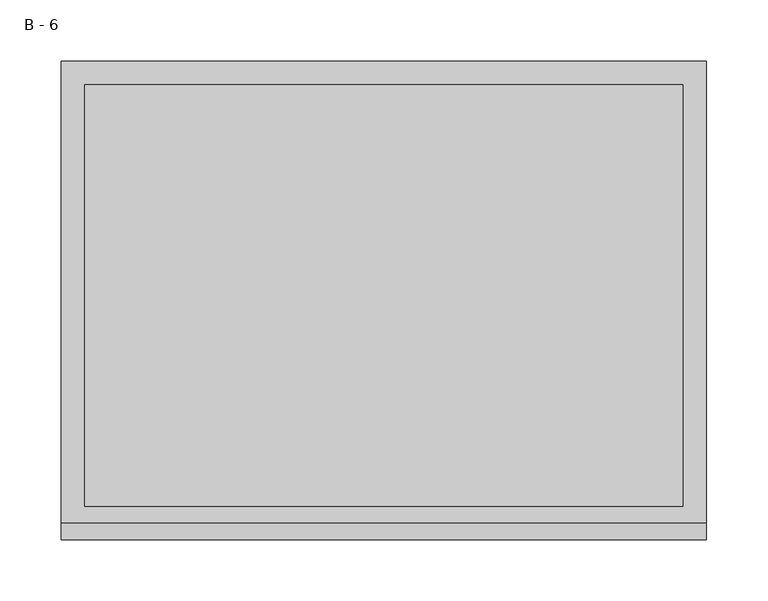
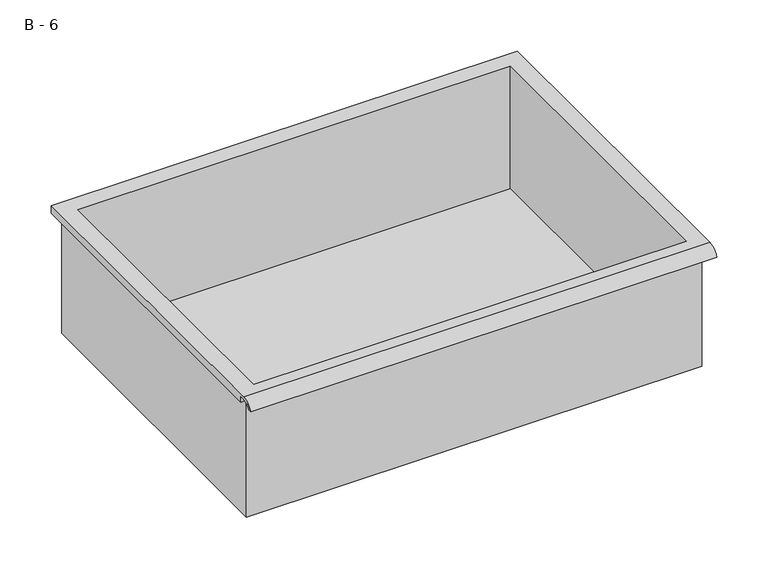
"""IFC4 building model written with IfcOpenShell, lengths in millimetres: furniture geometry, B - 6."""

from ifc_helpers import new_model, si_unit, frame, origin, place, context, project, spatial, polyline, circle_curve, source, transform, mapped, element, save
from ifc_brep_helpers import plane_surface, cylinder_surface, revolved_surface, advanced_brep


def b_6_f5591260(model_context):
    return source(origin(), model_context, "Body", "AdvancedBrep", [
        advanced_brep(
        [(-257.1076517, -176.2125, 531.81504), (257.2423483, -176.2125, 531.81504), (257.2423483, -176.2125, 671.51504), (263.5923483, -176.2125, 671.51504), (263.5923483, -176.2125, 677.8221741), (-263.4576517, -176.2125, 677.8221741), (-263.4576517, -176.2125, 671.51504), (-257.1076517, -176.2125, 671.51504), (257.2423483, 185.7375, 531.81504), (-257.1076517, 185.7375, 531.81504), (-257.1076517, 185.7375, 671.51504), (257.2423483, 185.7375, 671.51504), (263.5923483, -181.6070544, 681.04004), (263.5923483, 195.2625, 681.04004), (-263.4576517, 195.2625, 681.04004), (-263.4576517, -181.6070544, 681.04004), (244.5423483, -168.275, 681.04004), (-244.4076517, -168.275, 681.04004), (-244.4076517, 176.2125, 681.04004), (244.5423483, 176.2125, 681.04004), (263.5923483, -195.2625, 671.51504), (263.5923483, -191.8280601, 671.51504), (263.5923483, -180.4714815, 677.8221741), (263.5923483, 195.2625, 671.51504), (-263.4576517, 195.2625, 671.51504), (-263.4576517, -180.4714815, 677.8221741), (-263.4576517, -191.8280601, 671.51504), (-263.4576517, -195.2625, 671.51504), (-244.4076517, -168.275, 534.8412119), (244.5423483, -168.275, 534.8412119), (244.5423483, 176.2125, 534.8412119), (-244.4076517, 176.2125, 534.8412119)],
        [
            (0, 1),
            (1, 2),
            (2, 3),
            (3, 4),
            (4, 5),
            (5, 6),
            (6, 7),
            (7, 0),
            (8, 9),
            (9, 10),
            (10, 11),
            (11, 8),
            (0, 9),
            (8, 1),
            (11, 2),
            (12, 13),
            (13, 14),
            (14, 15),
            (15, 12),
            (16, 17),
            (17, 18),
            (18, 19),
            (19, 16),
            (7, 10),
            (12, 20, circle_curve(frame((263.5923483, -181.6070544, 666.4890259), z_axis=(1.0, 0.0, 0.0), x_axis=(0.0, 1.0, 0.0)), 14.5510141)),
            (20, 21),
            (21, 22, circle_curve(frame((263.5923483, -181.6070544, 666.4890259), z_axis=(-1.0, 0.0, 0.0), x_axis=(0.0, 1.0, 0.0)), 11.3898979)),
            (22, 4),
            (3, 23),
            (23, 13),
            (14, 24),
            (24, 6),
            (5, 25),
            (25, 26, circle_curve(frame((-263.4576517, -181.6070544, 666.4890259), z_axis=(1.0, 0.0, 0.0), x_axis=(0.0, 1.0, 0.0)), 11.3898979)),
            (26, 27),
            (27, 15, circle_curve(frame((-263.4576517, -181.6070544, 666.4890259), z_axis=(-1.0, 0.0, 0.0), x_axis=(0.0, 1.0, 0.0)), 14.5510141)),
            (27, 20),
            (26, 21),
            (25, 22),
            (24, 23),
            (28, 29),
            (29, 30),
            (30, 31),
            (31, 28),
            (28, 17),
            (16, 29),
            (19, 30),
            (18, 31),
        ],
        [
            plane_surface(frame((257.2423483, -176.2125, 531.81504), z_axis=(0.0, -1.0, 0.0), x_axis=(1.0, 0.0, 0.0))),
            plane_surface(frame((257.2423483, 185.7375, 531.81504), z_axis=(0.0, 1.0, 0.0), x_axis=(-1.0, 0.0, 0.0))),
            plane_surface(frame((-257.1076517, -176.2125, 531.81504), z_axis=(0.0, 0.0, -1.0), x_axis=(0.0, 1.0, 0.0))),
            plane_surface(frame((257.2423483, -176.2125, 531.81504), z_axis=(1.0, 0.0, 0.0), x_axis=(0.0, 1.0, 0.0))),
            plane_surface(frame((257.2423483, -176.2125, 681.04004), z_axis=(0.0, 0.0, 1.0), x_axis=(0.0, 1.0, 0.0))),
            plane_surface(frame((-257.1076517, -176.2125, 681.04004), z_axis=(-1.0, 0.0, 0.0), x_axis=(0.0, 1.0, 0.0))),
            plane_surface(frame((263.5923483, 195.2625, 681.04004), z_axis=(1.0, 0.0, 0.0), x_axis=(0.0, -1.0, 0.0))),
            plane_surface(frame((-263.4576517, 195.2625, 681.04004), z_axis=(-1.0, 0.0, 0.0), x_axis=(0.0, 1.0, 0.0))),
            cylinder_surface(frame((-263.4576517, -181.6070544, 666.4890259), z_axis=(1.0, 0.0, 0.0), x_axis=(0.0, 1.0, 0.0)), 14.5510141),
            plane_surface(frame((263.5923483, -195.2625, 671.51504), z_axis=(0.0, -7.172997036885722e-12, -1.0), x_axis=(-1.0, 0.0, 0.0))),
            revolved_surface(polyline([(-263.4576517, -170.21715650000002, 666.4890259), (263.59234829999997, -170.21715650000002, 666.4890259)]), (-263.4576517, -181.6070544, 666.4890259), (-1.0, 0.0, 0.0)),
            plane_surface(frame((263.5923483, -180.4714815, 677.8221741), z_axis=(0.0, -1.7734282788987848e-11, -1.0), x_axis=(-1.0, 0.0, 0.0))),
            plane_surface(frame((263.5923483, -176.2125, 671.51504), z_axis=(0.0, 0.0, -1.0), x_axis=(-1.0, 0.0, 0.0))),
            plane_surface(frame((263.5923483, 195.2625, 671.51504), z_axis=(0.0, 1.0, 0.0), x_axis=(-1.0, 0.0, 0.0))),
            plane_surface(frame((244.5423483, -168.275, 534.8412119), z_axis=(0.0, 0.0, 1.0), x_axis=(-1.0, 0.0, 0.0))),
            plane_surface(frame((-244.4076517, -168.275, 681.04004), z_axis=(0.0, 1.0, 0.0), x_axis=(0.0, 0.0, -1.0))),
            plane_surface(frame((244.5423483, -168.275, 681.04004), z_axis=(-1.0, 0.0, 0.0), x_axis=(0.0, 0.0, -1.0))),
            plane_surface(frame((244.5423483, 176.2125, 681.04004), z_axis=(0.0, -1.0, 0.0), x_axis=(0.0, 0.0, -1.0))),
            plane_surface(frame((-244.4076517, 176.2125, 681.04004), z_axis=(1.0, 0.0, 0.0), x_axis=(0.0, 0.0, -1.0))),
        ],
        [
            (0, [[1, 2, 3, 4, 5, 6, 7, 8]]),
            (1, [[9, 10, 11, 12]]),
            (2, [[-1, 13, -9, 14]]),
            (3, [[-14, -12, 15, -2]]),
            (4, [[16, 17, 18, 19], [20, 21, 22, 23]]),
            (5, [[-13, -8, 24, -10]]),
            (6, [[-16, 25, 26, 27, 28, -4, 29, 30]]),
            (7, [[31, 32, -6, 33, 34, 35, 36, -18]]),
            (8, [[-25, -19, -36, 37]]),
            (9, [[-26, -37, -35, 38]]),
            (10, [[-27, -38, -34, 39]]),
            (11, [[-28, -39, -33, -5]]),
            (12, [[-29, -3, -15, -11, -24, -7, -32, 40]]),
            (13, [[-30, -40, -31, -17]]),
            (14, [[41, 42, 43, 44]]),
            (15, [[-41, 45, -20, 46]]),
            (16, [[-42, -46, -23, 47]]),
            (17, [[-43, -47, -22, 48]]),
            (18, [[-44, -48, -21, -45]]),
        ],
    ),
    ])


if __name__ == "__main__":
    model = new_model("IFC4")
    model_context = context("Model", 3, world=origin())
    ifc_project = project(units=[si_unit("LENGTHUNIT", "METRE", prefix="MILLI")], contexts=[model_context])
    site = spatial("IfcSite", under=ifc_project)
    building = spatial("IfcBuilding", under=site)
    placement = place(None, origin())
    b_6_shape = b_6_f5591260(model_context)
    element("IfcFurniture", 1, ObjectType="B - 6", at=placement, inside=building, context=model_context, shape_type="MappedRepresentation", body=[
        mapped(b_6_shape, transform((0.0, 0.0, 0.0), x_axis=(1.0, 0.0, 0.0), y_axis=(0.0, 1.0, 0.0), z_axis=(0.0, 0.0, 1.0))),
    ])
    save(model, "model.ifc")
